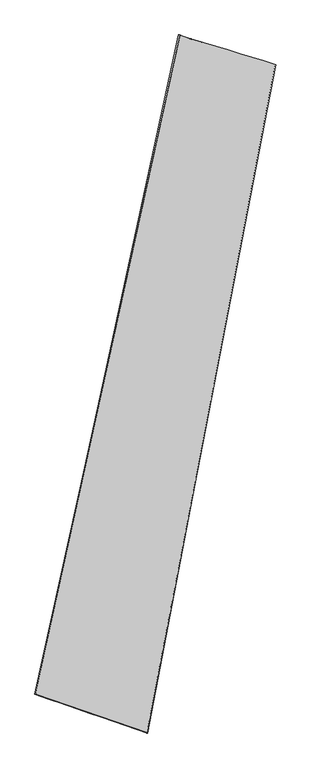
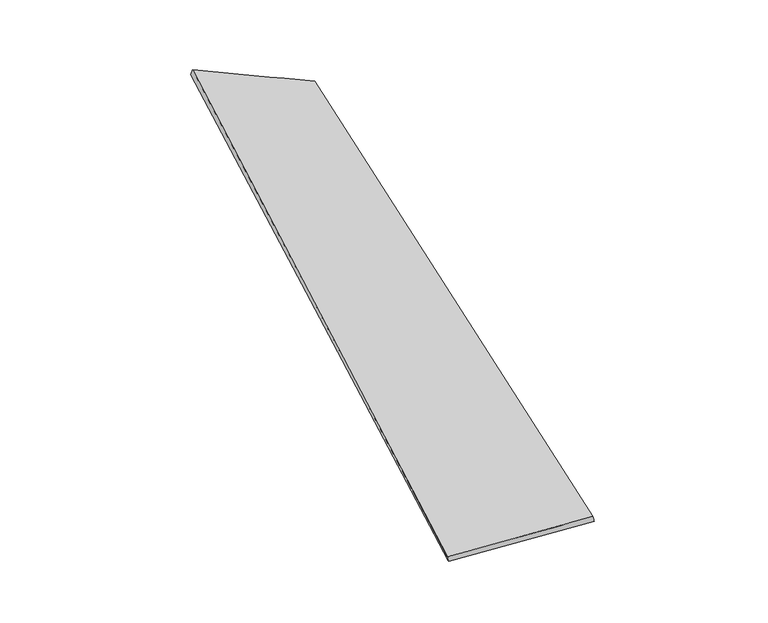
"""IFC4 building model written with IfcOpenShell, lengths in millimetres: proxy geometry."""

import ifcopenshell
import ifcopenshell.guid

model = None  # the IFC model being written
_history = None  # IfcOwnerHistory: only IFC2X3 demands one
_inside = {}  # id of a spatial element -> (the spatial element, [elements in it])
_under = {}  # id of a project, library or spatial element -> (it, [spatial elements below it])
_declared = {}  # id of a project -> (the project, [libraries it declares])
_typed = {}  # id of a type object -> (the type object, [elements of that type])
_made_of = {}  # id of a material, layer set ... -> (it, [elements and type objects made of it])


def new_model(schema):
    """Start an empty IFC model of exactly this schema.

    Asked for "IFC4X3", IfcOpenShell would pick the latest addendum, in which some entities
    have other attributes; the version numbers below select the first issue.
    IFC2X3 requires an IfcOwnerHistory on every rooted entity: one is made here for all.
    """
    global model, _history
    if schema == "IFC4X3":
        model = ifcopenshell.file(schema_version=(4, 3, 0, 0))
    else:
        model = ifcopenshell.file(schema=schema)
    _inside.clear()
    _under.clear()
    _declared.clear()
    _typed.clear()
    _made_of.clear()
    _history = None
    if model.schema == "IFC2X3":
        org = make("IfcOrganization", Name="unknown")
        user = make(
            "IfcPersonAndOrganization",
            ThePerson=make("IfcPerson", FamilyName="unknown"),
            TheOrganization=org,
        )
        app = make(
            "IfcApplication",
            ApplicationDeveloper=org,
            Version="unknown",
            ApplicationFullName="unknown",
            ApplicationIdentifier="unknown",
        )
        _history = make(
            "IfcOwnerHistory",
            OwningUser=user,
            OwningApplication=app,
            ChangeAction="ADDED",
            CreationDate=0,
        )
    return model


def make(cls, **values):
    """One entity of the class cls with the attributes given. An attribute that is None is left unset."""
    return model.create_entity(
        cls, **{name: value for name, value in values.items() if value is not None}
    )


def rooted(cls, **values):
    """An entity with a GlobalId (a new one), such as an element, a storey or a relation."""
    return make(cls, GlobalId=ifcopenshell.guid.new(), OwnerHistory=_history, **values)


def si_unit(unit_type, name, prefix=None):
    """IfcSIUnit, for example si_unit("LENGTHUNIT", "METRE", prefix="MILLI")."""
    return make("IfcSIUnit", UnitType=unit_type, Prefix=prefix, Name=name)


def assignment(units):
    """IfcUnitAssignment: the units of a project."""
    return None if units is None else make("IfcUnitAssignment", Units=units)


def point(xyz):
    """IfcCartesianPoint."""
    return None if xyz is None else make("IfcCartesianPoint", Coordinates=xyz)


def direction(xyz):
    """IfcDirection."""
    return None if xyz is None else make("IfcDirection", DirectionRatios=xyz)


def frame(location, z_axis=None, x_axis=None):
    """IfcAxis2Placement3D, a coordinate frame: its origin and axes. An axis left out is left unset."""
    return make(
        "IfcAxis2Placement3D",
        Location=point(location),
        Axis=direction(z_axis),
        RefDirection=direction(x_axis),
    )


def origin():
    """The frame at (0, 0, 0) with its axes left unset."""
    return frame((0.0, 0.0, 0.0))


def place(relative_to, where):
    """IfcLocalPlacement: puts the frame where relative to a parent placement (None: the world)."""
    return make(
        "IfcLocalPlacement", PlacementRelTo=relative_to, RelativePlacement=where
    )


def context(
    kind, dimensions, precision=None, world=None, true_north=None, identifier=None
):
    """IfcGeometricRepresentationContext, for example the 3D "Model" context."""
    return make(
        "IfcGeometricRepresentationContext",
        ContextIdentifier=identifier,
        ContextType=kind,
        CoordinateSpaceDimension=dimensions,
        Precision=precision,
        WorldCoordinateSystem=world,
        TrueNorth=true_north,
    )


def project(units=None, contexts=None):
    """IfcProject with its units and contexts."""
    return rooted(
        "IfcProject",
        Name="project",
        RepresentationContexts=contexts,
        UnitsInContext=assignment(units),
    )


def spatial(cls, under=None, at=None, **own):
    """A site, building, storey or space (cls), placed at a placement, below another one or the project."""
    s = rooted(cls, ObjectPlacement=at, **own)
    if under is not None:
        _under.setdefault(under.id(), (under, []))[1].append(s)
    return s


def shape(context_of_items, identifier, shape_type, items):
    """IfcShapeRepresentation: the items that make up one representation, for example the "Body"."""
    return make(
        "IfcShapeRepresentation",
        ContextOfItems=context_of_items,
        RepresentationIdentifier=identifier,
        RepresentationType=shape_type,
        Items=items,
    )


def source(mapping_origin, context_of_items, identifier, shape_type, items):
    """IfcRepresentationMap: a shape defined once, which mapped items show again and again."""
    return make(
        "IfcRepresentationMap",
        MappingOrigin=mapping_origin,
        MappedRepresentation=shape(context_of_items, identifier, shape_type, items),
    )


def transform(
    local_origin,
    x_axis=None,
    y_axis=None,
    z_axis=None,
    scale=None,
    scale2=None,
    scale3=None,
    uniform=True,
):
    """IfcCartesianTransformationOperator3D, or its non-uniform kind. x_axis, y_axis, z_axis: its Axis1, 2, 3."""
    if uniform:
        return make(
            "IfcCartesianTransformationOperator3D",
            Axis1=direction(x_axis),
            Axis2=direction(y_axis),
            LocalOrigin=point(local_origin),
            Scale=scale,
            Axis3=direction(z_axis),
        )
    return make(
        "IfcCartesianTransformationOperator3DnonUniform",
        Axis1=direction(x_axis),
        Axis2=direction(y_axis),
        LocalOrigin=point(local_origin),
        Scale=scale,
        Axis3=direction(z_axis),
        Scale2=scale2,
        Scale3=scale3,
    )


def mapped(mapping_source, mapping_target):
    """IfcMappedItem: shows the shape of a source again, moved by a transform."""
    return make(
        "IfcMappedItem", MappingSource=mapping_source, MappingTarget=mapping_target
    )


def made_of(thing, what):
    """Note that an element or type object is made of a material, layer set ...; save() writes the relation."""
    if what is not None:
        _made_of.setdefault(what.id(), (what, []))[1].append(thing)
    return thing


def element(
    cls,
    number,
    at=None,
    inside=None,
    cuts=None,
    type_object=None,
    material=None,
    context=None,
    identifier="Body",
    shape_type=None,
    held_by="IfcProductDefinitionShape",
    body=None,
    shapes=None,
    **own,
):
    """One element of the class cls, such as IfcWall. Its Tag is "e" and its number.

    at: its placement. inside: the storey or other place that contains it. cuts: it is an
    opening in that element (IfcRelVoidsElement). A single representation is given by context,
    identifier, shape_type and body (its items); several are given by shapes. held_by: the class
    of the entity that holds the representations. save() writes the other relations.
    """
    e = rooted(cls, Tag="e%d" % number, ObjectPlacement=at, **own)
    if body is not None:
        shapes = [shape(context, identifier, shape_type, body)]
    if shapes is not None:
        e.Representation = make(held_by, Representations=shapes)
    if inside is not None:
        _inside.setdefault(inside.id(), (inside, []))[1].append(e)
    if cuts is not None:
        rooted(
            "IfcRelVoidsElement", RelatingBuildingElement=cuts, RelatedOpeningElement=e
        )
    if type_object is not None:
        _typed.setdefault(type_object.id(), (type_object, []))[1].append(e)
    return made_of(e, material)


def aggregate(whole, parts):
    """IfcRelAggregates: a whole, such as a stair, and the parts it consists of."""
    return rooted("IfcRelAggregates", RelatingObject=whole, RelatedObjects=parts)


def save(model, path):
    """Write the relations noted so far, then the file.

    IfcRelAggregates (storeys below a building ...), IfcRelContainedInSpatialStructure (elements
    in a storey), IfcRelDefinesByType, IfcRelAssociatesMaterial and IfcRelDeclares: one each for
    every whole, place, type object, material and project.
    """
    for whole, parts in _under.values():
        aggregate(whole, parts)
    for where, things in _inside.values():
        rooted(
            "IfcRelContainedInSpatialStructure",
            RelatedElements=things,
            RelatingStructure=where,
        )
    for kind, things in _typed.values():
        rooted("IfcRelDefinesByType", RelatedObjects=things, RelatingType=kind)
    for what, things in _made_of.values():
        rooted("IfcRelAssociatesMaterial", RelatedObjects=things, RelatingMaterial=what)
    for by, libraries in _declared.values():
        rooted("IfcRelDeclares", RelatingContext=by, RelatedDefinitions=libraries)
    model.write(path)


def spline_surface(u_degree, v_degree, points, u_multiplicities, v_multiplicities, u_knots, v_knots, weights=None):
    """IfcBSplineSurfaceWithKnots; with weights, IfcRationalBSplineSurfaceWithKnots. points: one row for each step in u."""
    own = dict(
        UDegree=u_degree,
        VDegree=v_degree,
        ControlPointsList=[[point(p) for p in row] for row in points],
        SurfaceForm="UNSPECIFIED",
        UClosed=False,
        VClosed=False,
        SelfIntersect=False,
        UMultiplicities=u_multiplicities,
        VMultiplicities=v_multiplicities,
        UKnots=u_knots,
        VKnots=v_knots,
        KnotSpec="UNSPECIFIED",
    )
    if weights is None:
        return make("IfcBSplineSurfaceWithKnots", **own)
    return make("IfcRationalBSplineSurfaceWithKnots", WeightsData=weights, **own)


def advanced_brep(points, edges, surfaces, faces):
    """IfcAdvancedBrep: a solid bounded by faces that lie on surfaces and meet in shared edges.

    An edge is (start, end): straight between two places in points (the first is 0);
    or (start, end, curve); or (start, end, curve, False) where it runs against its curve.
    A face is (place in surfaces, loops), or (place, loops, False) where it looks against
    its surface's normal. A loop lists edges by number (the first is 1), with a minus sign
    where the edge is run from its end to its start. The first loop is the outer one.
    """
    corners = [point(p) for p in points]
    vertices = [make("IfcVertexPoint", VertexGeometry=c) for c in corners]
    made = []
    for start, end, *more in edges:
        made.append(
            make(
                "IfcEdgeCurve",
                EdgeStart=vertices[start],
                EdgeEnd=vertices[end],
                EdgeGeometry=more[0] if more else make("IfcPolyline", Points=[corners[start], corners[end]]),
                SameSense=more[1] if len(more) > 1 else True,
            )
        )
    hull = []
    for where, loops, *sense in faces:
        bounds = []
        for j, loop in enumerate(loops):
            ring = [make("IfcOrientedEdge", EdgeElement=made[abs(k) - 1], Orientation=k > 0) for k in loop]
            bounds.append(
                make(
                    "IfcFaceOuterBound" if j == 0 else "IfcFaceBound",
                    Bound=make("IfcEdgeLoop", EdgeList=ring),
                    Orientation=True,
                )
            )
        hull.append(make("IfcAdvancedFace", Bounds=bounds, FaceSurface=surfaces[where], SameSense=sense[0] if sense else True))
    return make("IfcAdvancedBrep", Outer=make("IfcClosedShell", CfsFaces=hull))


def generic_models_fd745927(model_context):
    return source(origin(), model_context, "Body", "AdvancedBrep", [
        advanced_brep(
        [(-660.6238041, -1673.5803037, -69.9518919), (-667.1607897, -1673.2962201, -40.6741339), (198.5022352, 2254.5728231, 110.6643599), (190.4078906, 2257.4357229, 81.9191796), (1.4104758, -1902.5441227, 99.0469842), (771.2425483, 2080.4459154, -52.4197246), (6.3541098, -1904.6023671, 69.5287845), (763.8618037, 2080.7469479, -81.4960722)],
        [
            (0, 1),
            (1, 2),
            (2, 3),
            (3, 0),
            (1, 4),
            (4, 5),
            (5, 2),
            (4, 6),
            (6, 7),
            (7, 5),
            (6, 0),
            (3, 7),
        ],
        [
            spline_surface(1, 1, [[(-660.6238041, -1673.5803037, -69.9518919), (190.4078906, 2257.4357229, 81.9191796)], [(-667.1607897, -1673.2962201, -40.6741339), (198.5022352, 2254.5728231, 110.6643599)]], [2, 2], [2, 2], [0.0, 1.0], [0.0, 1.0]),
            spline_surface(1, 1, [[(-667.1607897, -1673.2962201, -40.6741339), (198.5022352, 2254.5728231, 110.6643599)], [(1.4104758, -1902.5441227, 99.0469842), (771.2425483, 2080.4459154, -52.4197246)]], [2, 2], [2, 2], [0.0, 1.0], [0.0, 1.0]),
            spline_surface(1, 1, [[(1.4104758, -1902.5441227, 99.0469842), (771.2425483, 2080.4459154, -52.4197246)], [(6.3541098, -1904.6023671, 69.5287845), (763.8618037, 2080.7469479, -81.4960722)]], [2, 2], [2, 2], [0.0, 1.0], [0.0, 1.0]),
            spline_surface(1, 1, [[(6.3541098, -1904.6023671, 69.5287845), (763.8618037, 2080.7469479, -81.4960722)], [(-660.6238041, -1673.5803037, -69.9518919), (190.4078906, 2257.4357229, 81.9191796)]], [2, 2], [2, 2], [0.0, 1.0], [0.0, 1.0]),
            spline_surface(1, 1, [[(198.5022352, 2254.5728231, 110.6643599), (190.4078906, 2257.4357229, 81.9191796)], [(771.2425483, 2080.4459154, -52.4197246), (763.8618037, 2080.7469479, -81.4960722)]], [2, 2], [2, 2], [0.0, 1.0], [0.0, 1.0]),
            spline_surface(1, 1, [[(6.3541098, -1904.6023671, 69.5287845), (-660.6238041, -1673.5803037, -69.9518919)], [(1.4104758, -1902.5441227, 99.0469842), (-667.1607897, -1673.2962201, -40.6741339)]], [2, 2], [2, 2], [0.0, 1.0], [0.0, 1.0]),
        ],
        [
            (0, [[1, 2, 3, 4]]),
            (1, [[5, 6, 7, -2]]),
            (2, [[8, 9, 10, -6]]),
            (3, [[11, -4, 12, -9]]),
            (4, [[-3, -7, -10, -12]]),
            (5, [[-11, -8, -5, -1]]),
        ],
    ),
    ])


if __name__ == "__main__":
    model = new_model("IFC4")
    model_context = context("Model", 3, world=origin())
    ifc_project = project(units=[si_unit("LENGTHUNIT", "METRE", prefix="MILLI")], contexts=[model_context])
    site = spatial("IfcSite", under=ifc_project)
    building = spatial("IfcBuilding", under=site)
    placement = place(None, origin())
    generic_models_shape = generic_models_fd745927(model_context)
    element("IfcBuildingElementProxy", 1, Name="Generic Models", at=placement, inside=building, context=model_context, shape_type="MappedRepresentation", body=[
        mapped(generic_models_shape, transform((0.0, 0.0, 0.0), x_axis=(1.0, 0.0, 0.0), y_axis=(0.0, 1.0, 0.0), z_axis=(0.0, 0.0, 1.0))),
    ])
    save(model, "model.ifc")
